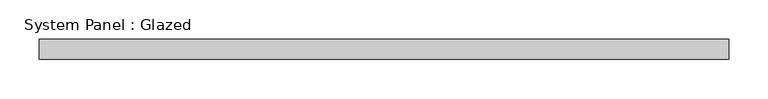
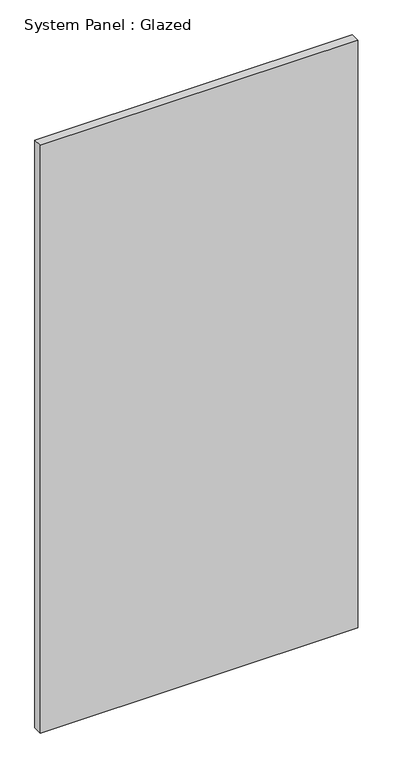
"""IFC4 building model written with IfcOpenShell, lengths in millimetres: plate geometry, System Panel : Glazed."""

from ifc_helpers import new_model, si_unit, origin, origin_with_axes, place, context, project, spatial, polyline, outline, extrude, source, transform, mapped, element, save


def system_panel_glazed_456f4d40(model_context):
    return source(origin(), model_context, "Body", "SweptSolid", [
        extrude(outline(polyline([(438.15, -44.45), (-438.15, -44.45), (-438.15, -19.05), (438.15, -19.05), (438.15, -44.45)])), origin_with_axes(), (0.0, 0.0, 1.0), 1714.5),
    ])


if __name__ == "__main__":
    model = new_model("IFC4")
    model_context = context("Model", 3, world=origin())
    ifc_project = project(units=[si_unit("LENGTHUNIT", "METRE", prefix="MILLI")], contexts=[model_context])
    site = spatial("IfcSite", under=ifc_project)
    building = spatial("IfcBuilding", under=site)
    placement = place(None, origin())
    system_panel_glazed_shape = system_panel_glazed_456f4d40(model_context)
    element("IfcPlate", 1, ObjectType="System Panel : Glazed", at=placement, inside=building, context=model_context, shape_type="MappedRepresentation", body=[
        mapped(system_panel_glazed_shape, transform((0.0, 0.0, 0.0), x_axis=(1.0, 0.0, 0.0), y_axis=(0.0, 1.0, 0.0), z_axis=(0.0, 0.0, 1.0))),
    ])
    save(model, "model.ifc")
